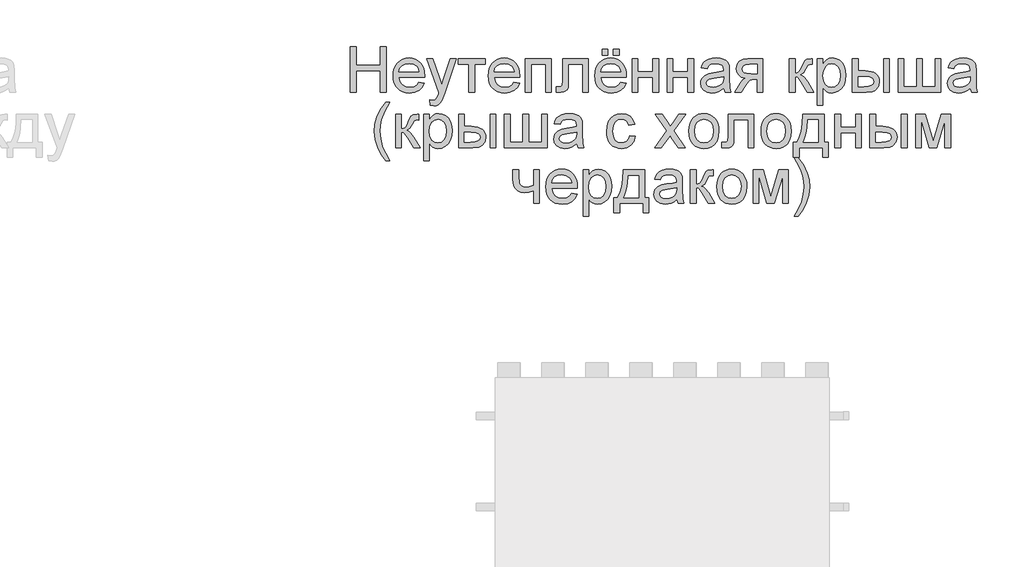
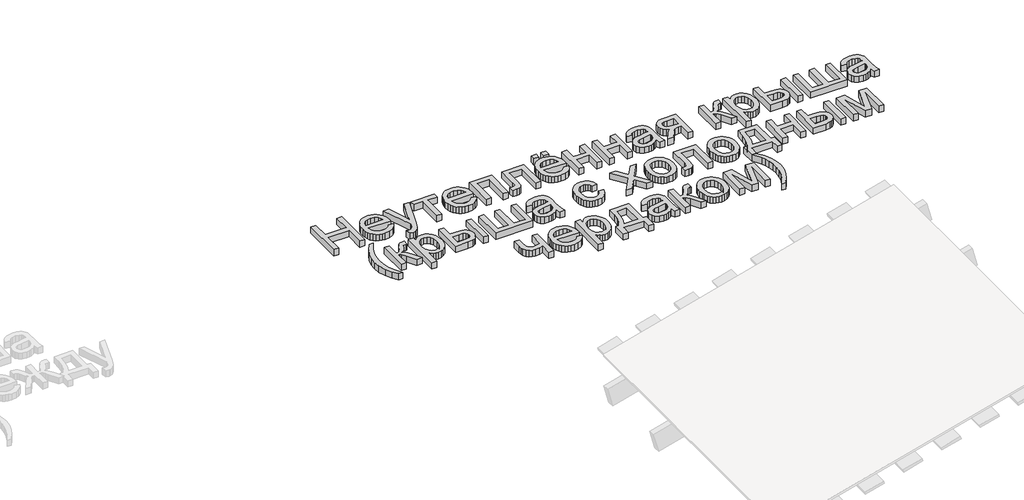
# One storey, part 3 of 3: 1 proxy.
"""IFC4 building model written with IfcOpenShell, lengths in millimetres."""

from ifc_helpers import new_model, si_unit, origin, origin_with_axes, place, context, project, spatial, polyline, outline, extrude, element, save

model = new_model("IFC4")

# Units and contexts
model_context = context("Model", 3, world=origin())
ifc_project = project(units=[si_unit("LENGTHUNIT", "METRE", prefix="MILLI")], contexts=[model_context])

# Site, building, storey
site = spatial("IfcSite", under=ifc_project)
building = spatial("IfcBuilding", under=site)
storey = spatial("IfcBuildingStorey", under=building, Elevation=0.0)

# Proxy
placement = place(None, origin())
element("IfcBuildingElementProxy", 1, Name="Generic Models", at=placement, inside=storey, context=model_context, shape_type="SweptSolid", body=[
    extrude(outline(polyline([(-3711.475111, 3184.0096511), (-3711.475111, 3485.3785815), (-3673.8039947, 3485.3785815), (-3673.8039947, 3362.9474535), (-3513.7017504, 3362.9474535), (-3513.7017504, 3485.3785815), (-3476.0306341, 3485.3785815), (-3476.0306341, 3184.0096511), (-3513.7017504, 3184.0096511), (-3513.7017504, 3325.2763372), (-3673.8039947, 3325.2763372), (-3673.8039947, 3184.0096511), (-3711.475111, 3184.0096511)])), origin_with_axes(), (0.0, 0.0, 1.0), 50.0),
    extrude(outline(polyline([(-3259.8631737, 3249.9341046), (-3222.9278214, 3245.2252151), (-3236.2359525, 3217.3949422), (-3257.4719407, 3196.5912153), (-3286.1575393, 3183.623375), (-3321.8145017, 3179.3007616), (-3345.1888039, 3181.1654634), (-3366.0155234, 3186.759569), (-3384.29466, 3196.0830783), (-3400.0262138, 3209.1359914), (-3412.676756, 3225.5550247), (-3421.7128575, 3244.9768947), (-3427.1345184, 3267.4016016), (-3428.9417387, 3292.8291453), (-3427.1161243, 3319.1189123), (-3421.6392811, 3342.2908795), (-3412.5112091, 3362.3450468), (-3399.7319083, 3379.2814141), (-3384.0417412, 3392.7366981), (-3366.1810703, 3402.3476152), (-3346.1498957, 3408.1141655), (-3323.9482172, 3410.0363489), (-3302.4616095, 3408.118764), (-3283.0305423, 3402.3660093), (-3265.6550158, 3392.7780848), (-3250.33503, 3379.3549905), (-3237.8293414, 3362.4554114), (-3228.8967067, 3342.4380323), (-3223.5371259, 3319.3028533), (-3221.750599, 3293.0498745), (-3221.9713282, 3282.8963314), (-3391.2706224, 3282.8963314), (-3384.749914, 3254.6981765), (-3369.6023728, 3233.968026), (-3347.7409853, 3221.2209149), (-3321.0787377, 3216.9718779), (-3301.0291689, 3218.9400465), (-3284.1433854, 3224.8445526), (-3270.4213869, 3235.0532779), (-3259.8631737, 3249.9341046)]), holes=[polyline([(-3391.2706224, 3320.5674477), (-3259.4217153, 3320.5674477), (-3264.5168809, 3340.4698636), (-3274.5048771, 3354.7068969), (-3296.4674322, 3367.9506487), (-3324.09537, 3372.3652326), (-3349.4884248, 3368.8427625), (-3370.4852896, 3358.2753522), (-3385.0810078, 3341.8034359), (-3391.2706224, 3320.5674477)])]), origin_with_axes(), (0.0, 0.0, 1.0), 50.0),
    extrude(outline(polyline([(-3184.0794827, 3099.2496394), (-3188.7883722, 3135.5228041), (-3169.6585085, 3132.2118662), (-3151.7794435, 3136.3689327), (-3140.81656, 3147.9572156), (-3130.5158642, 3175.695518), (-3127.5728082, 3184.8189915), (-3207.6239304, 3405.3274594), (-3167.8926749, 3405.3274594), (-3125.4390926, 3282.454873), (-3110.6502364, 3233.3058384), (-3095.8613802, 3276.7159139), (-3052.2305756, 3405.3274594), (-3012.7936257, 3405.3274594), (-3089.8281155, 3178.7121504), (-3109.8408961, 3129.5631158), (-3120.0864096, 3113.8729487), (-3131.6930866, 3103.0020358), (-3145.1759617, 3096.6560713), (-3161.0500698, 3094.5407499), (-3184.0794827, 3099.2496394)])), origin_with_axes(), (0.0, 0.0, 1.0), 50.0),
    extrude(outline(polyline([(-3000.4327907, 3405.3274594), (-2821.4949882, 3405.3274594), (-2821.4949882, 3367.6563431), (-2892.1283313, 3367.6563431), (-2892.1283313, 3184.0096511), (-2929.7994476, 3184.0096511), (-2929.7994476, 3367.6563431), (-3000.4327907, 3367.6563431), (-3000.4327907, 3405.3274594)])), origin_with_axes(), (0.0, 0.0, 1.0), 50.0),
    extrude(outline(polyline([(-2633.5808651, 3249.9341046), (-2596.6455128, 3245.2252151), (-2609.953644, 3217.3949422), (-2631.1896321, 3196.5912153), (-2659.8752307, 3183.623375), (-2695.5321931, 3179.3007616), (-2718.9064954, 3181.1654634), (-2739.7332148, 3186.759569), (-2758.0123514, 3196.0830783), (-2773.7439053, 3209.1359914), (-2786.3944474, 3225.5550247), (-2795.4305489, 3244.9768947), (-2800.8522098, 3267.4016016), (-2802.6594301, 3292.8291453), (-2800.8338157, 3319.1189123), (-2795.3569725, 3342.2908795), (-2786.2289005, 3362.3450468), (-2773.4495997, 3379.2814141), (-2757.7594326, 3392.7366981), (-2739.8987617, 3402.3476152), (-2719.8675871, 3408.1141655), (-2697.6659087, 3410.0363489), (-2676.1793009, 3408.118764), (-2656.7482337, 3402.3660093), (-2639.3727073, 3392.7780848), (-2624.0527214, 3379.3549905), (-2611.5470328, 3362.4554114), (-2602.6143982, 3342.4380323), (-2597.2548173, 3319.3028533), (-2595.4682904, 3293.0498745), (-2595.6890196, 3282.8963314), (-2764.9883138, 3282.8963314), (-2758.4676054, 3254.6981765), (-2743.3200643, 3233.968026), (-2721.4586767, 3221.2209149), (-2694.7964291, 3216.9718779), (-2674.7468604, 3218.9400465), (-2657.8610768, 3224.8445526), (-2644.1390784, 3235.0532779), (-2633.5808651, 3249.9341046)]), holes=[polyline([(-2764.9883138, 3320.5674477), (-2633.1394067, 3320.5674477), (-2638.2345723, 3340.4698636), (-2648.2225685, 3354.7068969), (-2670.1851236, 3367.9506487), (-2697.8130615, 3372.3652326), (-2723.2061162, 3368.8427625), (-2744.202981, 3358.2753522), (-2758.7986992, 3341.8034359), (-2764.9883138, 3320.5674477)])]), origin_with_axes(), (0.0, 0.0, 1.0), 50.0),
    extrude(outline(polyline([(-2557.7971741, 3405.3274594), (-2388.2771507, 3405.3274594), (-2388.2771507, 3184.0096511), (-2425.948267, 3184.0096511), (-2425.948267, 3367.6563431), (-2520.1260578, 3367.6563431), (-2520.1260578, 3184.0096511), (-2557.7971741, 3184.0096511), (-2557.7971741, 3405.3274594)])), origin_with_axes(), (0.0, 0.0, 1.0), 50.0),
    extrude(outline(polyline([(-2312.9349181, 3405.3274594), (-2143.4148947, 3405.3274594), (-2143.4148947, 3184.2303803), (-2181.086011, 3184.2303803), (-2181.086011, 3367.6563431), (-2275.2638018, 3367.6563431), (-2275.2638018, 3262.0742105), (-2277.8021876, 3213.3666343), (-2282.5570623, 3202.3393715), (-2291.7449152, 3192.8020308), (-2305.6876428, 3186.207746), (-2324.7071419, 3184.0096511), (-2355.3149239, 3185.9226375), (-2355.3149239, 3221.6807674), (-2338.4659286, 3221.6807674), (-2321.4329922, 3223.998424), (-2314.6271753, 3231.3560639), (-2312.9349181, 3264.207926), (-2312.9349181, 3405.3274594)])), origin_with_axes(), (0.0, 0.0, 1.0), 50.0),
    extrude(outline(polyline([(-1931.9563239, 3249.9341046), (-1895.0209716, 3245.2252151), (-1908.3291028, 3217.3949422), (-1929.5650909, 3196.5912153), (-1958.2506895, 3183.623375), (-1993.9076519, 3179.3007616), (-2017.2819542, 3181.1654634), (-2038.1086736, 3186.759569), (-2056.3878102, 3196.0830783), (-2072.1193641, 3209.1359914), (-2084.7699062, 3225.5550247), (-2093.8060077, 3244.9768947), (-2099.2276686, 3267.4016016), (-2101.0348889, 3292.8291453), (-2099.2092745, 3319.1189123), (-2093.7324313, 3342.2908795), (-2084.6043593, 3362.3450468), (-2071.8250585, 3379.2814141), (-2056.1348914, 3392.7366981), (-2038.2742205, 3402.3476152), (-2018.2430459, 3408.1141655), (-1996.0413675, 3410.0363489), (-1974.5547597, 3408.118764), (-1955.1236925, 3402.3660093), (-1937.7481661, 3392.7780848), (-1922.4281802, 3379.3549905), (-1909.9224916, 3362.4554114), (-1900.989857, 3342.4380323), (-1895.6302761, 3319.3028533), (-1893.8437492, 3293.0498745), (-1894.0644784, 3282.8963314), (-2063.3637726, 3282.8963314), (-2056.8430642, 3254.6981765), (-2041.6955231, 3233.968026), (-2019.8341355, 3221.2209149), (-1993.1718879, 3216.9718779), (-1973.1223192, 3218.9400465), (-1956.2365356, 3224.8445526), (-1942.5145372, 3235.0532779), (-1931.9563239, 3249.9341046)]), holes=[polyline([(-2063.3637726, 3320.5674477), (-1931.5148655, 3320.5674477), (-1936.6100311, 3340.4698636), (-1946.5980273, 3354.7068969), (-1968.5605824, 3367.9506487), (-1996.1885203, 3372.3652326), (-2021.581575, 3368.8427625), (-2042.5784398, 3358.2753522), (-2057.174158, 3341.8034359), (-2063.3637726, 3320.5674477)])]), origin_with_axes(), (0.0, 0.0, 1.0), 50.0),
    extrude(outline(polyline([(-1978.6037609, 3428.8719071), (-1978.6037609, 3466.5430234), (-1940.9326446, 3466.5430234), (-1940.9326446, 3428.8719071), (-1978.6037609, 3428.8719071)])), origin_with_axes(), (0.0, 0.0, 1.0), 50.0),
    extrude(outline(polyline([(-2053.9459935, 3428.8719071), (-2053.9459935, 3466.5430234), (-2016.2748772, 3466.5430234), (-2016.2748772, 3428.8719071), (-2053.9459935, 3428.8719071)])), origin_with_axes(), (0.0, 0.0, 1.0), 50.0),
    extrude(outline(polyline([(-1856.1726329, 3405.3274594), (-1818.5015166, 3405.3274594), (-1818.5015166, 3320.5674477), (-1719.6148363, 3320.5674477), (-1719.6148363, 3405.3274594), (-1681.94372, 3405.3274594), (-1681.94372, 3184.0096511), (-1719.6148363, 3184.0096511), (-1719.6148363, 3282.8963314), (-1818.5015166, 3282.8963314), (-1818.5015166, 3184.0096511), (-1856.1726329, 3184.0096511), (-1856.1726329, 3405.3274594)])), origin_with_axes(), (0.0, 0.0, 1.0), 50.0),
    extrude(outline(polyline([(-1625.4370455, 3405.3274594), (-1587.7659292, 3405.3274594), (-1587.7659292, 3320.5674477), (-1488.8792489, 3320.5674477), (-1488.8792489, 3405.3274594), (-1451.2081326, 3405.3274594), (-1451.2081326, 3184.0096511), (-1488.8792489, 3184.0096511), (-1488.8792489, 3282.8963314), (-1587.7659292, 3282.8963314), (-1587.7659292, 3184.0096511), (-1625.4370455, 3184.0096511), (-1625.4370455, 3405.3274594)])), origin_with_axes(), (0.0, 0.0, 1.0), 50.0),
    extrude(outline(polyline([(-1253.434772, 3212.2629883), (-1271.4333986, 3196.8303386), (-1289.9654541, 3186.7319779), (-1309.4540028, 3181.1585656), (-1330.322109, 3179.3007616), (-1361.8036107, 3183.7705278), (-1385.0261617, 3197.1798265), (-1399.3459683, 3217.5420949), (-1404.1192372, 3242.8707703), (-1402.3166154, 3258.487361), (-1396.9087501, 3272.6692119), (-1388.5670259, 3284.8093178), (-1377.9628274, 3294.3006732), (-1351.5856883, 3306.6615083), (-1318.9913435, 3312.326891), (-1280.4740986, 3318.2865793), (-1253.6555012, 3325.2763372), (-1253.434772, 3333.6640467), (-1256.0283401, 3350.4762539), (-1263.8090443, 3361.4759256), (-1281.2098626, 3369.6429059), (-1305.4532861, 3372.3652326), (-1327.8940878, 3370.5534138), (-1343.5658608, 3365.1179573), (-1354.2528328, 3355.0655818), (-1361.7392314, 3339.4030059), (-1399.4103477, 3344.1118954), (-1392.8712452, 3364.7132871), (-1383.1131753, 3380.9000949), (-1369.22563, 3393.279324), (-1350.2981013, 3402.4579798), (-1327.1491268, 3408.1417567), (-1300.5972438, 3410.0363489), (-1275.1306127, 3408.3624858), (-1254.9430882, 3403.3408966), (-1239.7219706, 3395.7901187), (-1229.1545603, 3386.5286894), (-1222.1464083, 3375.0783623), (-1217.6030657, 3360.9608908), (-1215.7636557, 3327.998664), (-1215.7636557, 3281.1304978), (-1213.8506693, 3215.6842909), (-1206.3458766, 3184.0096511), (-1244.0169929, 3184.0096511), (-1253.434772, 3212.2629883)]), holes=[polyline([(-1253.434772, 3287.6052209), (-1314.2088776, 3276.0537263), (-1346.6192814, 3269.9468852), (-1361.297773, 3260.0140713), (-1366.4481209, 3245.5195207), (-1363.6430207, 3234.3175139), (-1355.2277201, 3225.1388581), (-1341.38616, 3219.0136229), (-1322.3022815, 3216.9718779), (-1302.0687718, 3219.2251551), (-1284.1897068, 3225.9849867), (-1269.6951562, 3235.9453918), (-1259.6151895, 3247.8003891), (-1255.1454233, 3260.0140713), (-1253.6555012, 3276.9366431), (-1253.434772, 3287.6052209)])]), origin_with_axes(), (0.0, 0.0, 1.0), 50.0),
    extrude(outline(polyline([(-994.4458474, 3405.3274594), (-994.4458474, 3184.0096511), (-1032.1169637, 3184.0096511), (-1032.1169637, 3268.7696628), (-1052.644779, 3268.7696628), (-1080.6038107, 3263.9871968), (-1091.7690292, 3253.5577423), (-1106.8705851, 3231.8343105), (-1136.8897559, 3184.0096511), (-1180.4469841, 3184.0096511), (-1142.628715, 3244.4894511), (-1125.9268725, 3266.1944888), (-1110.5494051, 3275.8329971), (-1136.3011447, 3283.7240659), (-1154.4009389, 3298.7152572), (-1165.1063049, 3318.6544613), (-1168.6747603, 3341.3895686), (-1163.8003239, 3367.1780965), (-1149.1770146, 3387.5955472), (-1125.3198672, 3400.8944813), (-1092.7439165, 3405.3274594), (-994.4458474, 3405.3274594)]), holes=[polyline([(-1032.1169637, 3367.6563431), (-1081.781033, 3367.6563431), (-1107.4316052, 3365.4766423), (-1121.9905351, 3358.9375398), (-1128.7503668, 3349.4737755), (-1131.003644, 3338.5200891), (-1127.683509, 3324.1634942), (-1117.723104, 3314.2030892), (-1099.3198072, 3308.3813566), (-1070.6709968, 3306.4407791), (-1032.1169637, 3306.4407791), (-1032.1169637, 3367.6563431)])]), origin_with_axes(), (0.0, 0.0, 1.0), 50.0),
    extrude(outline(polyline([(-820.2169345, 3405.3274594), (-782.5458182, 3405.3274594), (-782.5458182, 3311.1496686), (-767.2235331, 3312.8419258), (-757.3091133, 3317.9186973), (-748.5351277, 3331.1624492), (-736.6341452, 3357.3556472), (-719.454056, 3391.3847318), (-704.2973178, 3402.4579798), (-676.7429564, 3405.3274594), (-669.5324692, 3405.3274594), (-669.5324692, 3367.4356139), (-679.6860123, 3367.6563431), (-698.0801121, 3363.6832175), (-711.0295583, 3338.8879711), (-726.2230847, 3312.0693736), (-747.5234522, 3298.9359864), (-735.5856815, 3293.6338871), (-723.7582753, 3284.2758889), (-700.4345568, 3253.3921954), (-660.1146902, 3184.0096511), (-702.9361544, 3184.0096511), (-742.4466807, 3251.9206674), (-762.3123084, 3280.6522512), (-771.6013288, 3285.8669785), (-782.5458182, 3287.6052209), (-782.5458182, 3184.0096511), (-820.2169345, 3184.0096511), (-820.2169345, 3405.3274594)])), origin_with_axes(), (0.0, 0.0, 1.0), 50.0),
    extrude(outline(polyline([(-636.5702425, 3099.2496394), (-636.5702425, 3405.3274594), (-598.8991262, 3405.3274594), (-598.8991262, 3368.3921071), (-586.6118675, 3386.6114629), (-572.8530809, 3399.6252885), (-556.8134259, 3407.4335838), (-537.6835622, 3410.0363489), (-512.207734, 3406.3943172), (-489.9324792, 3395.4682219), (-471.7958968, 3377.9202507), (-458.736086, 3354.4125913), (-450.8450172, 3326.6558947), (-448.2146609, 3296.3608124), (-451.1853081, 3264.1435467), (-460.0972494, 3235.3291894), (-474.6653764, 3211.3800715), (-494.6045805, 3193.758524), (-517.8271315, 3182.9152022), (-542.2452989, 3179.3007616), (-559.5633438, 3181.7195857), (-575.0235847, 3188.976058), (-588.2581395, 3199.9297444), (-598.8991262, 3213.4402107), (-598.8991262, 3099.2496394), (-636.5702425, 3099.2496394)]), holes=[polyline([(-598.8991262, 3292.9027217), (-594.8248331, 3259.1311545), (-582.6019538, 3235.5131304), (-564.566539, 3221.607191), (-543.0546393, 3216.9718779), (-521.1932517, 3221.7727379), (-502.6979844, 3236.175318), (-490.088829, 3260.6578648), (-485.8857773, 3295.6986248), (-489.9876615, 3329.286251), (-502.2933142, 3353.2353689), (-520.3011379, 3367.5827667), (-541.5095349, 3372.3652326), (-562.8007054, 3367.279264), (-581.4983078, 3352.0213583), (-594.5489216, 3327.069762), (-598.8991262, 3292.9027217)])]), origin_with_axes(), (0.0, 0.0, 1.0), 50.0),
    extrude(outline(polyline([(-405.8346551, 3405.3274594), (-368.1635388, 3405.3274594), (-368.1635388, 3325.2763372), (-321.5896782, 3325.2763372), (-281.3341909, 3320.5582506), (-265.1174927, 3314.6606424), (-251.5081581, 3306.4039909), (-240.740712, 3296.0734046), (-233.049679, 3283.9539921), (-228.4350592, 3270.0457534), (-226.8968527, 3254.3486886), (-232.0563976, 3227.3921354), (-247.5350326, 3204.647831), (-259.3969277, 3195.6186273), (-274.344433, 3189.1691961), (-313.4962743, 3184.0096511), (-405.8346551, 3184.0096511), (-405.8346551, 3405.3274594)]), holes=[polyline([(-368.1635388, 3221.6807674), (-329.4623529, 3221.6807674), (-299.4615762, 3223.6581331), (-279.503978, 3229.5902303), (-268.3019712, 3239.7161822), (-264.567969, 3254.2751122), (-267.336281, 3266.5807649), (-275.641217, 3277.4516779), (-293.4007203, 3285.0668352), (-324.5327342, 3287.6052209), (-368.1635388, 3287.6052209), (-368.1635388, 3221.6807674)])]), origin_with_axes(), (0.0, 0.0, 1.0), 50.0),
    extrude(outline(polyline([(-198.6435154, 3405.3274594), (-160.9723991, 3405.3274594), (-160.9723991, 3184.0096511), (-198.6435154, 3184.0096511), (-198.6435154, 3405.3274594)])), origin_with_axes(), (0.0, 0.0, 1.0), 50.0),
    extrude(outline(polyline([(-104.4657247, 3405.3274594), (-66.7946083, 3405.3274594), (-66.7946083, 3221.6807674), (17.9654033, 3221.6807674), (17.9654033, 3405.3274594), (55.6365196, 3405.3274594), (55.6365196, 3221.6807674), (140.3965313, 3221.6807674), (140.3965313, 3405.3274594), (178.0676476, 3405.3274594), (178.0676476, 3184.0096511), (-104.4657247, 3184.0096511), (-104.4657247, 3405.3274594)])), origin_with_axes(), (0.0, 0.0, 1.0), 50.0),
    extrude(outline(polyline([(371.1321187, 3212.2629883), (353.1334921, 3196.8303386), (334.6014366, 3186.7319779), (315.1128879, 3181.1585656), (294.2447817, 3179.3007616), (262.76328, 3183.7705278), (239.540729, 3197.1798265), (225.2209224, 3217.5420949), (220.4476535, 3242.8707703), (222.2502753, 3258.487361), (227.6581406, 3272.6692119), (235.9998648, 3284.8093178), (246.6040633, 3294.3006732), (272.9812024, 3306.6615083), (305.5755472, 3312.326891), (344.0927921, 3318.2865793), (370.9113895, 3325.2763372), (371.1321187, 3333.6640467), (368.5385506, 3350.4762539), (360.7578464, 3361.4759256), (343.3570281, 3369.6429059), (319.1136046, 3372.3652326), (296.6728029, 3370.5534138), (281.0010299, 3365.1179573), (270.3140579, 3355.0655818), (262.8276593, 3339.4030059), (225.156543, 3344.1118954), (231.6956455, 3364.7132871), (241.4537154, 3380.9000949), (255.3412607, 3393.279324), (274.2687894, 3402.4579798), (297.4177639, 3408.1417567), (323.9696469, 3410.0363489), (349.436278, 3408.3624858), (369.6238025, 3403.3408966), (384.8449201, 3395.7901187), (395.4123304, 3386.5286894), (402.4204824, 3375.0783623), (406.963825, 3360.9608908), (408.803235, 3327.998664), (408.803235, 3281.1304978), (410.7162214, 3215.6842909), (418.2210141, 3184.0096511), (380.5498978, 3184.0096511), (371.1321187, 3212.2629883)]), holes=[polyline([(371.1321187, 3287.6052209), (310.3580131, 3276.0537263), (277.9476093, 3269.9468852), (263.2691177, 3260.0140713), (258.1187698, 3245.5195207), (260.92387, 3234.3175139), (269.3391706, 3225.1388581), (283.1807307, 3219.0136229), (302.2646092, 3216.9718779), (322.4981189, 3219.2251551), (340.3771839, 3225.9849867), (354.8717345, 3235.9453918), (364.9517012, 3247.8003891), (369.4214674, 3260.0140713), (370.9113895, 3276.9366431), (371.1321187, 3287.6052209)])]), origin_with_axes(), (0.0, 0.0, 1.0), 50.0),
    extrude(outline(polyline([(-3478.3850788, 2733.3251859), (-3507.5765151, 2774.288846), (-3531.8751209, 2821.6904411), (-3548.2642638, 2873.2307086), (-3553.7273114, 2926.6103861), (-3549.6438213, 2973.42337), (-3537.3933508, 3018.2130029), (-3513.076351, 3068.9439301), (-3478.3850788, 3119.454128), (-3450.1317416, 3119.454128), (-3485.3748367, 3059.7836684), (-3506.5648397, 3001.9526187), (-3513.6833563, 2964.2631083), (-3516.0561951, 2926.3896569), (-3511.9359168, 2878.095948), (-3499.5750817, 2829.8206332), (-3478.97369, 2781.5637125), (-3450.1317416, 2733.3251859), (-3478.3850788, 2733.3251859)])), origin_with_axes(), (0.0, 0.0, 1.0), 50.0),
    extrude(outline(polyline([(-3412.4606253, 3039.4030059), (-3374.789509, 3039.4030059), (-3374.789509, 2945.2252151), (-3359.4672239, 2946.9174723), (-3349.5528041, 2951.9942438), (-3340.7788185, 2965.2379956), (-3328.877836, 2991.4311937), (-3311.6977468, 3025.4602782), (-3296.5410086, 3036.5335263), (-3268.9866472, 3039.4030059), (-3261.7761601, 3039.4030059), (-3261.7761601, 3001.5111603), (-3271.9297031, 3001.7318895), (-3290.3238029, 2997.758764), (-3303.2732491, 2972.9635175), (-3318.4667755, 2946.1449201), (-3339.767143, 2933.0115328), (-3327.8293723, 2927.7094336), (-3316.0019661, 2918.3514353), (-3292.6782477, 2887.4677418), (-3252.358381, 2818.0851976), (-3295.1798452, 2818.0851976), (-3334.6903715, 2885.9962139), (-3354.5559992, 2914.7277977), (-3363.8450196, 2919.942525), (-3374.789509, 2921.6807674), (-3374.789509, 2818.0851976), (-3412.4606253, 2818.0851976), (-3412.4606253, 3039.4030059)])), origin_with_axes(), (0.0, 0.0, 1.0), 50.0),
    extrude(outline(polyline([(-3228.8139333, 2733.3251859), (-3228.8139333, 3039.4030059), (-3191.142817, 3039.4030059), (-3191.142817, 3002.4676535), (-3178.8555583, 3020.6870093), (-3165.0967717, 3033.7008349), (-3149.0571167, 3041.5091303), (-3129.927253, 3044.1118954), (-3104.4514248, 3040.4698636), (-3082.17617, 3029.5437684), (-3064.0395877, 3011.9957972), (-3050.9797768, 2988.4881377), (-3043.088708, 2960.7314412), (-3040.4583518, 2930.4363589), (-3043.4289989, 2898.2190932), (-3052.3409402, 2869.4047359), (-3066.9090672, 2845.455618), (-3086.8482714, 2827.8340704), (-3110.0708223, 2816.9907486), (-3134.4889897, 2813.376308), (-3151.8070347, 2815.7951321), (-3167.2672755, 2823.0516045), (-3180.5018303, 2834.0052909), (-3191.142817, 2847.5157572), (-3191.142817, 2733.3251859), (-3228.8139333, 2733.3251859)]), holes=[polyline([(-3191.142817, 2926.9782681), (-3187.0685239, 2893.206701), (-3174.8456446, 2869.5886769), (-3156.8102298, 2855.6827375), (-3135.2983301, 2851.0474243), (-3113.4369426, 2855.8482844), (-3094.9416752, 2870.2508645), (-3082.3325199, 2894.7334112), (-3078.1294681, 2929.7741713), (-3082.2313523, 2963.3617974), (-3094.5370051, 2987.3109153), (-3112.5448287, 3001.6583131), (-3133.7532257, 3006.4407791), (-3155.0443962, 3001.3548105), (-3173.7419986, 2986.0969048), (-3186.7926124, 2961.1453084), (-3191.142817, 2926.9782681)])]), origin_with_axes(), (0.0, 0.0, 1.0), 50.0),
    extrude(outline(polyline([(-2998.0783459, 3039.4030059), (-2960.4072296, 3039.4030059), (-2960.4072296, 2959.3518837), (-2913.833369, 2959.3518837), (-2873.5778817, 2954.6337971), (-2857.3611835, 2948.7361889), (-2843.7518489, 2940.4795373), (-2832.9844028, 2930.1489511), (-2825.2933698, 2918.0295386), (-2820.6787501, 2904.1212999), (-2819.1405435, 2888.424235), (-2824.3000884, 2861.4676818), (-2839.7787234, 2838.7233775), (-2851.6406185, 2829.6941738), (-2866.5881238, 2823.2447425), (-2905.7399651, 2818.0851976), (-2998.0783459, 2818.0851976), (-2998.0783459, 3039.4030059)]), holes=[polyline([(-2960.4072296, 2855.7563139), (-2921.7060437, 2855.7563139), (-2891.705267, 2857.7336796), (-2871.7476688, 2863.6657768), (-2860.545662, 2873.7917287), (-2856.8116598, 2888.3506586), (-2859.5799718, 2900.6563114), (-2867.8849078, 2911.5272243), (-2885.6444111, 2919.1423816), (-2916.776425, 2921.6807674), (-2960.4072296, 2921.6807674), (-2960.4072296, 2855.7563139)])]), origin_with_axes(), (0.0, 0.0, 1.0), 50.0),
    extrude(outline(polyline([(-2790.8872062, 3039.4030059), (-2753.2160899, 3039.4030059), (-2753.2160899, 2818.0851976), (-2790.8872062, 2818.0851976), (-2790.8872062, 3039.4030059)])), origin_with_axes(), (0.0, 0.0, 1.0), 50.0),
    extrude(outline(polyline([(-2696.7094155, 3039.4030059), (-2659.0382992, 3039.4030059), (-2659.0382992, 2855.7563139), (-2574.2782875, 2855.7563139), (-2574.2782875, 3039.4030059), (-2536.6071712, 3039.4030059), (-2536.6071712, 2855.7563139), (-2451.8471595, 2855.7563139), (-2451.8471595, 3039.4030059), (-2414.1760432, 3039.4030059), (-2414.1760432, 2818.0851976), (-2696.7094155, 2818.0851976), (-2696.7094155, 3039.4030059)])), origin_with_axes(), (0.0, 0.0, 1.0), 50.0),
    extrude(outline(polyline([(-2221.1115721, 2846.3385348), (-2239.1101987, 2830.9058851), (-2257.6422542, 2820.8075243), (-2277.1308029, 2815.2341121), (-2297.9989091, 2813.376308), (-2329.4804108, 2817.8460743), (-2352.7029618, 2831.255373), (-2367.0227684, 2851.6176414), (-2371.7960373, 2876.9463168), (-2369.9934156, 2892.5629075), (-2364.5855502, 2906.7447584), (-2356.243826, 2918.8848642), (-2345.6396275, 2928.3762197), (-2319.2624884, 2940.7370547), (-2286.6681436, 2946.4024375), (-2248.1508988, 2952.3621258), (-2221.3323013, 2959.3518837), (-2221.1115721, 2967.7395932), (-2223.7051402, 2984.5518004), (-2231.4858444, 2995.551472), (-2248.8866627, 3003.7184523), (-2273.1300862, 3006.4407791), (-2295.5708879, 3004.6289603), (-2311.2426609, 2999.1935038), (-2321.9296329, 2989.1411283), (-2329.4160315, 2973.4785523), (-2367.0871478, 2978.1874419), (-2360.5480453, 2998.7888336), (-2350.7899754, 3014.9756414), (-2336.9024301, 3027.3548705), (-2317.9749014, 3036.5335263), (-2294.8259269, 3042.2173031), (-2268.2740439, 3044.1118954), (-2242.8074128, 3042.4380323), (-2222.6198883, 3037.4164431), (-2207.3987707, 3029.8656651), (-2196.8313604, 3020.6042359), (-2189.8232084, 3009.1539088), (-2185.2798658, 2995.0364372), (-2183.4404558, 2962.0742105), (-2183.4404558, 2915.2060443), (-2181.5274694, 2849.7598373), (-2174.0226767, 2818.0851976), (-2211.693793, 2818.0851976), (-2221.1115721, 2846.3385348)]), holes=[polyline([(-2221.1115721, 2921.6807674), (-2281.8856777, 2910.1292727), (-2314.2960815, 2904.0224316), (-2328.9745731, 2894.0896178), (-2334.124921, 2879.5950671), (-2331.3198208, 2868.3930604), (-2322.9045202, 2859.2144046), (-2309.0629601, 2853.0891694), (-2289.9790816, 2851.0474243), (-2269.7455719, 2853.3007015), (-2251.8665069, 2860.0605332), (-2237.3719563, 2870.0209382), (-2227.2919896, 2881.8759355), (-2222.8222234, 2894.0896178), (-2221.3323013, 2911.0121895), (-2221.1115721, 2921.6807674)])]), origin_with_axes(), (0.0, 0.0, 1.0), 50.0),
    extrude(outline(polyline([(-1872.6537463, 2898.1363197), (-1834.98263, 2893.4274302), (-1845.4856609, 2859.9225775), (-1865.22253, 2834.6030991), (-1892.335433, 2818.6830058), (-1924.966566, 2813.376308), (-1946.0944888, 2815.2272143), (-1965.0381123, 2820.7799332), (-1981.7974365, 2830.0344646), (-1996.3724613, 2842.9908086), (-2008.169977, 2859.4052434), (-2016.5967739, 2879.0340471), (-2021.6528521, 2901.8772197), (-2023.3382115, 2927.9347613), (-2020.4595349, 2961.4580081), (-2011.823505, 2990.5114887), (-1997.2921662, 3013.9731629), (-1976.7275627, 3030.7209908), (-1952.1254543, 3040.7641692), (-1925.4816008, 3044.1118954), (-1893.6506111, 3039.5133704), (-1868.2023741, 3025.7177956), (-1849.9462301, 3003.4609349), (-1839.6915195, 2973.4785523), (-1877.3626358, 2968.7696628), (-1884.1960439, 2985.2047909), (-1894.8370306, 2996.9862118), (-1908.6969848, 3004.0771373), (-1925.1872952, 3006.4407791), (-1949.5318862, 3001.7870718), (-1968.854888, 2987.8259501), (-1981.4640434, 2963.8032558), (-1985.6670952, 2928.9648309), (-1981.5560139, 2893.6573564), (-1969.22277, 2869.5518887), (-1950.2492561, 2855.6735404), (-1926.2173648, 2851.0474243), (-1906.710422, 2853.935298), (-1890.7167522, 2862.598919), (-1879.0824841, 2877.2590165), (-1872.6537463, 2898.1363197)])), origin_with_axes(), (0.0, 0.0, 1.0), 50.0),
    extrude(outline(polyline([(-1707.8426124, 2818.0851976), (-1627.3500319, 2929.3327129), (-1703.1337229, 3039.4030059), (-1657.8106611, 3039.4030059), (-1621.2431908, 2986.4279985), (-1604.1734662, 2961.4120229), (-1589.38461, 2981.8662618), (-1547.7403681, 3039.4030059), (-1502.4173063, 3039.4030059), (-1582.0269701, 2929.3327129), (-1505.3603623, 2818.0851976), (-1550.6834241, 2818.0851976), (-1596.8158263, 2884.9661443), (-1605.2771122, 2897.1798265), (-1662.5195506, 2818.0851976), (-1707.8426124, 2818.0851976)])), origin_with_axes(), (0.0, 0.0, 1.0), 50.0),
    extrude(outline(polyline([(-1481.8159146, 2928.7441017), (-1479.778768, 2957.4067077), (-1473.6673284, 2982.1053851), (-1463.4815957, 3002.8401341), (-1449.2215698, 3019.6109545), (-1434.864975, 3030.3301161), (-1419.018458, 3037.9866602), (-1401.682019, 3042.5805866), (-1382.8556579, 3044.1118954), (-1362.0726244, 3042.2471935), (-1343.2807523, 3036.6530879), (-1326.4800414, 3027.3295786), (-1311.6704918, 3014.2766656), (-1299.583269, 2997.9358072), (-1290.9495384, 2978.7484619), (-1285.7693001, 2956.7146296), (-1284.042554, 2931.8343105), (-1287.0959746, 2893.7769181), (-1296.2562362, 2864.8062109), (-1311.2566246, 2843.1103703), (-1331.8304252, 2826.8775772), (-1356.2669867, 2816.7516253), (-1382.8556579, 2813.376308), (-1403.942194, 2815.2341121), (-1422.9088101, 2820.8075243), (-1439.7555062, 2830.0965447), (-1454.4822824, 2843.1011732), (-1466.4407465, 2859.6006807), (-1474.9825065, 2879.3743379), (-1480.1075626, 2902.4221449), (-1481.8159146, 2928.7441017)]), holes=[polyline([(-1444.1447983, 2928.8176781), (-1439.7853966, 2894.7242142), (-1426.7071917, 2870.4348055), (-1407.025505, 2855.8942696), (-1382.8556579, 2851.0474243), (-1358.7961754, 2855.9218608), (-1339.1512769, 2870.5451701), (-1326.0730719, 2895.1564755), (-1321.7136703, 2929.9949005), (-1326.1006631, 2963.095083), (-1339.2616415, 2987.0533979), (-1358.9341312, 3001.5939338), (-1382.8556579, 3006.4407791), (-1407.025505, 3001.6123279), (-1426.7071917, 2987.1269743), (-1439.7853966, 2962.8927479), (-1444.1447983, 2928.8176781)])]), origin_with_axes(), (0.0, 0.0, 1.0), 50.0),
    extrude(outline(polyline([(-1222.82699, 3039.4030059), (-1053.3069666, 3039.4030059), (-1053.3069666, 2818.3059268), (-1090.9780829, 2818.3059268), (-1090.9780829, 3001.7318895), (-1185.1558737, 3001.7318895), (-1185.1558737, 2896.1497569), (-1187.6942595, 2847.4421808), (-1192.4491342, 2836.414918), (-1201.6369871, 2826.8775772), (-1215.5797147, 2820.2832925), (-1234.5992138, 2818.0851976), (-1265.2069958, 2819.9981839), (-1265.2069958, 2855.7563139), (-1248.3580005, 2855.7563139), (-1231.3250641, 2858.0739704), (-1224.5192472, 2865.4316103), (-1222.82699, 2898.2834725), (-1222.82699, 3039.4030059)])), origin_with_axes(), (0.0, 0.0, 1.0), 50.0),
    extrude(outline(polyline([(-1006.2180712, 2928.7441017), (-1004.1809247, 2957.4067077), (-998.069485, 2982.1053851), (-987.8837523, 3002.8401341), (-973.6237265, 3019.6109545), (-959.2671316, 3030.3301161), (-943.4206147, 3037.9866602), (-926.0841756, 3042.5805866), (-907.2578145, 3044.1118954), (-886.4747811, 3042.2471935), (-867.6829089, 3036.6530879), (-850.882198, 3027.3295786), (-836.0726485, 3014.2766656), (-823.9854257, 2997.9358072), (-815.3516951, 2978.7484619), (-810.1714567, 2956.7146296), (-808.4447106, 2931.8343105), (-811.4981312, 2893.7769181), (-820.6583929, 2864.8062109), (-835.6587812, 2843.1103703), (-856.2325818, 2826.8775772), (-880.6691433, 2816.7516253), (-907.2578145, 2813.376308), (-928.3443506, 2815.2341121), (-947.3109668, 2820.8075243), (-964.1576629, 2830.0965447), (-978.884439, 2843.1011732), (-990.8429031, 2859.6006807), (-999.3846632, 2879.3743379), (-1004.5097192, 2902.4221449), (-1006.2180712, 2928.7441017)]), holes=[polyline([(-968.5469549, 2928.8176781), (-964.1875533, 2894.7242142), (-951.1093484, 2870.4348055), (-931.4276616, 2855.8942696), (-907.2578145, 2851.0474243), (-883.198332, 2855.9218608), (-863.5534335, 2870.5451701), (-850.4752286, 2895.1564755), (-846.1158269, 2929.9949005), (-850.5028197, 2963.095083), (-863.6637981, 2987.0533979), (-883.3362878, 3001.5939338), (-907.2578145, 3006.4407791), (-931.4276616, 3001.6123279), (-951.1093484, 2987.1269743), (-964.1875533, 2962.8927479), (-968.5469549, 2928.8176781)])]), origin_with_axes(), (0.0, 0.0, 1.0), 50.0),
    extrude(outline(polyline([(-733.102478, 3039.4030059), (-591.8357919, 3039.4030059), (-591.8357919, 2855.7563139), (-563.5824546, 2855.7563139), (-563.5824546, 2756.8696336), (-601.2535709, 2756.8696336), (-601.2535709, 2818.0851976), (-756.6469257, 2818.0851976), (-756.6469257, 2756.8696336), (-794.318042, 2756.8696336), (-794.318042, 2855.7563139), (-770.7735943, 2855.7563139), (-753.6578845, 2886.6859926), (-741.6741285, 2927.6036675), (-734.8223263, 2978.5093386), (-733.102478, 3039.4030059)]), holes=[polyline([(-700.1402512, 3001.7318895), (-703.23046, 2955.6086844), (-708.9694191, 2915.9050201), (-717.3571286, 2882.6208966), (-728.3935885, 2855.7563139), (-629.5069082, 2855.7563139), (-629.5069082, 3001.7318895), (-700.1402512, 3001.7318895)])]), origin_with_axes(), (0.0, 0.0, 1.0), 50.0),
    extrude(outline(polyline([(-521.2024488, 3039.4030059), (-483.5313325, 3039.4030059), (-483.5313325, 2954.6429942), (-384.6446522, 2954.6429942), (-384.6446522, 3039.4030059), (-346.9735359, 3039.4030059), (-346.9735359, 2818.0851976), (-384.6446522, 2818.0851976), (-384.6446522, 2916.9718779), (-483.5313325, 2916.9718779), (-483.5313325, 2818.0851976), (-521.2024488, 2818.0851976), (-521.2024488, 3039.4030059)])), origin_with_axes(), (0.0, 0.0, 1.0), 50.0),
    extrude(outline(polyline([(-290.4668614, 3039.4030059), (-252.7957451, 3039.4030059), (-252.7957451, 2959.3518837), (-206.2218845, 2959.3518837), (-165.9663972, 2954.6337971), (-149.749699, 2948.7361889), (-136.1403644, 2940.4795373), (-125.3729183, 2930.1489511), (-117.6818853, 2918.0295386), (-113.0672656, 2904.1212999), (-111.529059, 2888.424235), (-116.6886039, 2861.4676818), (-132.1672389, 2838.7233775), (-144.029134, 2829.6941738), (-158.9766393, 2823.2447425), (-198.1284806, 2818.0851976), (-290.4668614, 2818.0851976), (-290.4668614, 3039.4030059)]), holes=[polyline([(-252.7957451, 2855.7563139), (-214.0945592, 2855.7563139), (-184.0937825, 2857.7336796), (-164.1361843, 2863.6657768), (-152.9341775, 2873.7917287), (-149.2001753, 2888.3506586), (-151.9684873, 2900.6563114), (-160.2734233, 2911.5272243), (-178.0329266, 2919.1423816), (-209.1649405, 2921.6807674), (-252.7957451, 2921.6807674), (-252.7957451, 2855.7563139)])]), origin_with_axes(), (0.0, 0.0, 1.0), 50.0),
    extrude(outline(polyline([(-83.2757217, 3039.4030059), (-45.6046054, 3039.4030059), (-45.6046054, 2818.0851976), (-83.2757217, 2818.0851976), (-83.2757217, 3039.4030059)])), origin_with_axes(), (0.0, 0.0, 1.0), 50.0),
    extrude(outline(polyline([(10.902069, 3039.4030059), (75.7228766, 3039.4030059), (125.6812515, 2862.231037), (179.5391756, 3039.4030059), (241.6376564, 3039.4030059), (241.6376564, 2818.0851976), (203.9665401, 2818.0851976), (203.9665401, 2996.287236), (149.8143104, 2818.0851976), (100.3709703, 2818.0851976), (48.5731853, 3004.8220983), (48.5731853, 2818.0851976), (10.902069, 2818.0851976), (10.902069, 3039.4030059)])), origin_with_axes(), (0.0, 0.0, 1.0), 50.0),
    extrude(outline(polyline([(-2640.202741, 2673.4785523), (-2602.5316247, 2673.4785523), (-2602.5316247, 2631.0249701), (-2599.4782041, 2591.2201382), (-2594.281871, 2579.6502494), (-2584.7997125, 2569.6622533), (-2571.7031135, 2562.7644659), (-2555.6634585, 2560.4652034), (-2532.6156515, 2563.3162889), (-2503.6449444, 2571.8695452), (-2503.6449444, 2673.4785523), (-2465.9738281, 2673.4785523), (-2465.9738281, 2452.160744), (-2503.6449444, 2452.160744), (-2503.6449444, 2535.7435333), (-2535.7978308, 2526.0314486), (-2565.7434252, 2522.7940871), (-2588.5245177, 2526.1694044), (-2608.4545248, 2536.2953563), (-2623.9883421, 2551.3141388), (-2633.5808651, 2569.3679477), (-2638.547272, 2589.9141571), (-2640.202741, 2612.4101411), (-2640.202741, 2673.4785523)])), origin_with_axes(), (0.0, 0.0, 1.0), 50.0),
    extrude(outline(polyline([(-2254.5152573, 2518.0851976), (-2217.579905, 2513.376308), (-2230.8880361, 2485.5460351), (-2252.1240243, 2464.7423083), (-2280.8096229, 2451.7744679), (-2316.4665853, 2447.4518545), (-2339.8408875, 2449.3165563), (-2360.667607, 2454.9106619), (-2378.9467436, 2464.2341712), (-2394.6782974, 2477.2870843), (-2407.3288395, 2493.7061176), (-2416.364941, 2513.1279877), (-2421.7866019, 2535.5526945), (-2423.5938223, 2560.9802382), (-2421.7682078, 2587.2700053), (-2416.2913646, 2610.4419724), (-2407.1632926, 2630.4961397), (-2394.3839918, 2647.4325071), (-2378.6938247, 2660.887791), (-2360.8331539, 2670.4987082), (-2340.8019792, 2676.2652584), (-2318.6003008, 2678.1874419), (-2297.113693, 2676.269857), (-2277.6826259, 2670.5171023), (-2260.3070994, 2660.9291778), (-2244.9871136, 2647.5060835), (-2232.481425, 2630.6065043), (-2223.5487903, 2610.5891252), (-2218.1892095, 2587.4539463), (-2216.4026826, 2561.2009674), (-2216.6234118, 2551.0474243), (-2385.9227059, 2551.0474243), (-2379.4019976, 2522.8492694), (-2364.2544564, 2502.119119), (-2342.3930689, 2489.3720078), (-2315.7308213, 2485.1229708), (-2295.6812525, 2487.0911395), (-2278.7954689, 2492.9956455), (-2265.0734705, 2503.2043708), (-2254.5152573, 2518.0851976)]), holes=[polyline([(-2385.9227059, 2588.7185406), (-2254.0737989, 2588.7185406), (-2259.1689645, 2608.6209566), (-2269.1569607, 2622.8579898), (-2291.1195158, 2636.1017416), (-2318.7474536, 2640.5163255), (-2344.1405083, 2636.9938554), (-2365.1373732, 2626.4264451), (-2379.7330914, 2609.9545288), (-2385.9227059, 2588.7185406)])]), origin_with_axes(), (0.0, 0.0, 1.0), 50.0),
    extrude(outline(polyline([(-2178.7315663, 2367.4007323), (-2178.7315663, 2673.4785523), (-2141.06045, 2673.4785523), (-2141.06045, 2636.5432), (-2128.7731913, 2654.7625558), (-2115.0144047, 2667.7763814), (-2098.9747497, 2675.5846767), (-2079.844886, 2678.1874419), (-2054.3690578, 2674.5454101), (-2032.093803, 2663.6193148), (-2013.9572206, 2646.0713437), (-2000.8974098, 2622.5636842), (-1993.006341, 2594.8069876), (-1990.3759847, 2564.5119053), (-1993.3466318, 2532.2946396), (-2002.2585732, 2503.4802823), (-2016.8267002, 2479.5311645), (-2036.7659043, 2461.9096169), (-2059.9884553, 2451.0662951), (-2084.4066227, 2447.4518545), (-2101.7246676, 2449.8706786), (-2117.1849085, 2457.127151), (-2130.4194632, 2468.0808374), (-2141.06045, 2481.5913036), (-2141.06045, 2367.4007323), (-2178.7315663, 2367.4007323)]), holes=[polyline([(-2141.06045, 2561.0538146), (-2136.9861569, 2527.2822474), (-2124.7632776, 2503.6642233), (-2106.7278628, 2489.7582839), (-2085.2159631, 2485.1229708), (-2063.3545755, 2489.9238308), (-2044.8593082, 2504.3264109), (-2032.2501528, 2528.8089577), (-2028.047101, 2563.8497178), (-2032.1489853, 2597.4373439), (-2044.454638, 2621.3864618), (-2062.4624617, 2635.7338596), (-2083.6708587, 2640.5163255), (-2104.9620292, 2635.430357), (-2123.6596316, 2620.1724512), (-2136.7102454, 2595.2208549), (-2141.06045, 2561.0538146)])]), origin_with_axes(), (0.0, 0.0, 1.0), 50.0),
    extrude(outline(polyline([(-1915.0337521, 2673.4785523), (-1773.767066, 2673.4785523), (-1773.767066, 2489.8318603), (-1745.5137287, 2489.8318603), (-1745.5137287, 2390.94518), (-1783.184845, 2390.94518), (-1783.184845, 2452.160744), (-1938.5781998, 2452.160744), (-1938.5781998, 2390.94518), (-1976.2493161, 2390.94518), (-1976.2493161, 2489.8318603), (-1952.7048684, 2489.8318603), (-1935.5891586, 2520.7615391), (-1923.6054026, 2561.679214), (-1916.7536004, 2612.5848851), (-1915.0337521, 2673.4785523)]), holes=[polyline([(-1882.0715253, 2635.807436), (-1885.1617341, 2589.6842309), (-1890.9006932, 2549.9805665), (-1899.2884027, 2516.696443), (-1910.3248626, 2489.8318603), (-1811.4381823, 2489.8318603), (-1811.4381823, 2635.807436), (-1882.0715253, 2635.807436)])]), origin_with_axes(), (0.0, 0.0, 1.0), 50.0),
    extrude(outline(polyline([(-1561.8670367, 2480.4140812), (-1579.8656634, 2464.9814315), (-1598.3977189, 2454.8830708), (-1617.8862676, 2449.3096586), (-1638.7543737, 2447.4518545), (-1670.2358755, 2451.9216207), (-1693.4584264, 2465.3309194), (-1707.7782331, 2485.6931879), (-1712.551502, 2511.0218632), (-1710.7488802, 2526.6384539), (-1705.3410149, 2540.8203049), (-1696.9992906, 2552.9604107), (-1686.3950921, 2562.4517662), (-1660.0179531, 2574.8126012), (-1627.4236083, 2580.4779839), (-1588.9063634, 2586.4376723), (-1562.0877659, 2593.4274302), (-1561.8670367, 2601.8151397), (-1564.4606048, 2618.6273468), (-1572.241309, 2629.6270185), (-1589.6421274, 2637.7939988), (-1613.8855509, 2640.5163255), (-1636.3263526, 2638.7045067), (-1651.9981256, 2633.2690502), (-1662.6850975, 2623.2166747), (-1670.1714961, 2607.5540988), (-1707.8426124, 2612.2629883), (-1701.30351, 2632.86438), (-1691.54544, 2649.0511878), (-1677.6578947, 2661.430417), (-1658.7303661, 2670.6090728), (-1635.5813915, 2676.2928496), (-1609.0295085, 2678.1874419), (-1583.5628774, 2676.5135788), (-1563.3753529, 2671.4919895), (-1548.1542354, 2663.9412116), (-1537.5868251, 2654.6797824), (-1530.5786731, 2643.2294553), (-1526.0353304, 2629.1119837), (-1524.1959204, 2596.1497569), (-1524.1959204, 2549.2815907), (-1522.2829341, 2483.8353838), (-1514.7781414, 2452.160744), (-1552.4492577, 2452.160744), (-1561.8670367, 2480.4140812)]), holes=[polyline([(-1561.8670367, 2555.7563139), (-1622.6411424, 2544.2048192), (-1655.0515461, 2538.0979781), (-1669.7300377, 2528.1651642), (-1674.8803857, 2513.6706136), (-1672.0752855, 2502.4686069), (-1663.6599848, 2493.2899511), (-1649.8184247, 2487.1647159), (-1630.7345462, 2485.1229708), (-1610.5010365, 2487.376248), (-1592.6219715, 2494.1360797), (-1578.1274209, 2504.0964847), (-1568.0474543, 2515.951482), (-1563.577688, 2528.1651642), (-1562.0877659, 2545.087736), (-1561.8670367, 2555.7563139)])]), origin_with_axes(), (0.0, 0.0, 1.0), 50.0),
    extrude(outline(polyline([(-1472.3981355, 2673.4785523), (-1434.7270192, 2673.4785523), (-1434.7270192, 2579.3007616), (-1419.4047341, 2580.9930187), (-1409.4903143, 2586.0697903), (-1400.7163288, 2599.3135421), (-1388.8153462, 2625.5067401), (-1371.635257, 2659.5358247), (-1356.4785188, 2670.6090728), (-1328.9241574, 2673.4785523), (-1321.7136703, 2673.4785523), (-1321.7136703, 2635.5867068), (-1331.8672134, 2635.807436), (-1350.2613131, 2631.8343105), (-1363.2107594, 2607.039064), (-1378.4042858, 2580.2204665), (-1399.7046533, 2567.0870793), (-1387.7668825, 2561.7849801), (-1375.9394764, 2552.4269818), (-1352.6157579, 2521.5432883), (-1312.2958912, 2452.160744), (-1355.1173555, 2452.160744), (-1394.6278817, 2520.0717603), (-1414.4935095, 2548.8033442), (-1423.7825299, 2554.0180714), (-1434.7270192, 2555.7563139), (-1434.7270192, 2452.160744), (-1472.3981355, 2452.160744), (-1472.3981355, 2673.4785523)])), origin_with_axes(), (0.0, 0.0, 1.0), 50.0),
    extrude(outline(polyline([(-1298.1692226, 2562.8196482), (-1296.1320761, 2591.4822541), (-1290.0206364, 2616.1809316), (-1279.8349037, 2636.9156805), (-1265.5748778, 2653.686501), (-1251.218283, 2664.4056626), (-1235.371766, 2672.0622066), (-1218.035327, 2676.656133), (-1199.2089659, 2678.1874419), (-1178.4259324, 2676.32274), (-1159.6340603, 2670.7286344), (-1142.8333494, 2661.4051251), (-1128.0237998, 2648.352212), (-1115.936577, 2632.0113537), (-1107.3028465, 2612.8240084), (-1102.1226081, 2590.7901761), (-1100.395862, 2565.9098569), (-1103.4492826, 2527.8524645), (-1112.6095442, 2498.8817574), (-1127.6099326, 2477.1859167), (-1148.1837332, 2460.9531237), (-1172.6202947, 2450.8271718), (-1199.2089659, 2447.4518545), (-1220.295502, 2449.3096586), (-1239.2621181, 2454.8830708), (-1256.1088142, 2464.1720912), (-1270.8355904, 2477.1767197), (-1282.7940545, 2493.6762272), (-1291.3358145, 2513.4498844), (-1296.4608706, 2536.4976914), (-1298.1692226, 2562.8196482)]), holes=[polyline([(-1260.4981063, 2562.8932246), (-1256.1387047, 2528.7997607), (-1243.0604997, 2504.5103519), (-1223.378813, 2489.9698161), (-1199.2089659, 2485.1229708), (-1175.1494834, 2489.9974072), (-1155.5045849, 2504.6207165), (-1142.4263799, 2529.232022), (-1138.0669783, 2564.0704469), (-1142.4539711, 2597.1706295), (-1155.6149495, 2621.1289444), (-1175.2874392, 2635.6694803), (-1199.2089659, 2640.5163255), (-1223.378813, 2635.6878744), (-1243.0604997, 2621.2025208), (-1256.1387047, 2596.9682944), (-1260.4981063, 2562.8932246)])]), origin_with_axes(), (0.0, 0.0, 1.0), 50.0),
    extrude(outline(polyline([(-1058.0158562, 2673.4785523), (-993.1950486, 2673.4785523), (-943.2366737, 2496.3065834), (-889.3787496, 2673.4785523), (-827.2802688, 2673.4785523), (-827.2802688, 2452.160744), (-864.9513851, 2452.160744), (-864.9513851, 2630.3627825), (-919.1036148, 2452.160744), (-968.5469549, 2452.160744), (-1020.3447398, 2638.8976448), (-1020.3447398, 2452.160744), (-1058.0158562, 2452.160744), (-1058.0158562, 2673.4785523)])), origin_with_axes(), (0.0, 0.0, 1.0), 50.0),
    extrude(outline(polyline([(-761.3558152, 2367.4007323), (-789.6091525, 2367.4007323), (-760.7672041, 2415.6392589), (-740.1658123, 2463.8961797), (-727.8049773, 2512.1714945), (-723.6846989, 2560.4652034), (-726.0575378, 2598.0627433), (-733.1760544, 2635.3659776), (-742.1707692, 2664.9252959), (-754.1453281, 2693.2706037), (-789.6091525, 2753.5296745), (-761.3558152, 2753.5296745), (-726.6645431, 2703.0194765), (-702.3475432, 2652.2885494), (-690.0970728, 2607.4989165), (-686.0135826, 2560.6859326), (-691.5042214, 2507.3062551), (-707.9761377, 2455.7659876), (-732.3023347, 2408.3643925), (-761.3558152, 2367.4007323)])), origin_with_axes(), (0.0, 0.0, 1.0), 50.0),
])

save(model, "model.ifc")
